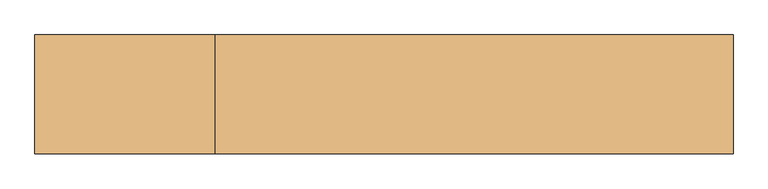
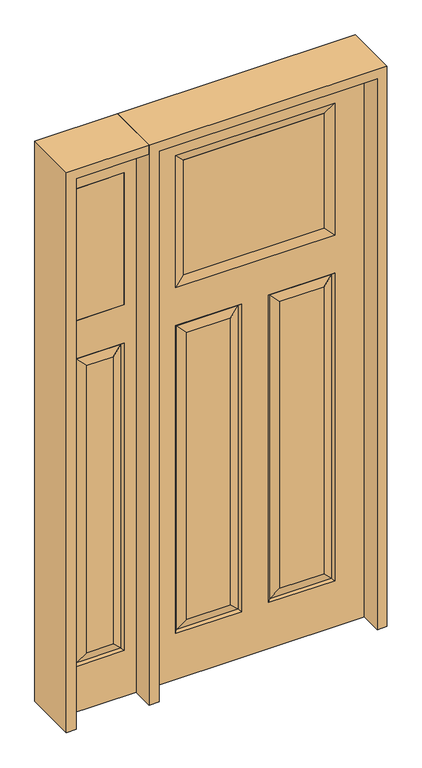
"""IFC4 building model written with IfcOpenShell, lengths in millimetres: door geometry."""

from ifc_helpers import new_model, si_unit, frame, origin, place, context, project, spatial, polyline, outline, extrude, faceted_brep, source, transform, mapped, element, save


def door_c06ac8cc(model_context):
    return source(origin(), model_context, "Body", "SolidModel", [
        faceted_brep([(-498.475, 20.6375, 0.0), (-498.475, -20.6375, 0.0), (-803.275, -20.6375, 0.0), (-803.275, 20.6375, 0.0), (-498.475, 20.6375, 2438.4), (-498.475, -20.6375, 2438.4), (-706.5645, -20.6375, 1519.2652812), (-706.5645, -20.6375, 249.1105), (-595.1855, -20.6375, 249.1105), (-595.1855, -20.6375, 1519.2652812), (-803.275, -20.6375, 2438.4), (-752.602, -20.6375, 203.073), (-752.602, -20.6375, 1565.3027812), (-549.148, -20.6375, 1565.3027812), (-549.148, -20.6375, 203.073), (-752.475, -20.6375, 2317.75), (-549.275, -20.6375, 2317.75), (-549.275, -20.6375, 1733.55), (-752.475, -20.6375, 1733.55), (-803.275, 20.6375, 2438.4), (-706.5645, 20.6375, 249.1105), (-706.5645, 20.6375, 1519.2652812), (-595.1855, 20.6375, 1519.2652812), (-595.1855, 20.6375, 249.1105), (-752.602, 20.6375, 1565.3027812), (-752.602, 20.6375, 203.073), (-549.148, 20.6375, 203.073), (-549.148, 20.6375, 1565.3027812), (-549.275, 20.6375, 2317.75), (-752.475, 20.6375, 2317.75), (-752.475, 20.6375, 1733.55), (-549.275, 20.6375, 1733.55), (-743.6217439, 11.6572439, 1556.3225251), (-743.6217439, 11.6572439, 212.0532561), (-558.1282561, 11.6572439, 212.0532561), (-558.1282561, 11.6572439, 1556.3225251), (-743.6217439, -11.6572439, 1556.3225251), (-743.6217439, -11.6572439, 212.0532561), (-558.1282561, -11.6572439, 212.0532561), (-558.1282561, -11.6572439, 1556.3225251)], [[[0, 1, 2, 3]], [[4, 5, 1, 0]], [[6, 7, 8, 9]], [[5, 10, 2, 1], [11, 12, 13, 14], [15, 16, 17, 18]], [[10, 19, 3, 2]], [[20, 21, 22, 23]], [[19, 4, 0, 3], [24, 25, 26, 27], [28, 29, 30, 31]], [[32, 33, 25, 24]], [[25, 33, 34, 26]], [[26, 34, 35, 27]], [[33, 32, 21, 20]], [[34, 23, 22, 35]], [[33, 20, 23, 34]], [[36, 37, 7, 6]], [[7, 37, 38, 8]], [[8, 38, 39, 9]], [[37, 36, 12, 11]], [[38, 14, 13, 39]], [[37, 11, 14, 38]], [[4, 19, 10, 5]], [[36, 6, 9, 39]], [[12, 36, 39, 13]], [[32, 24, 27, 35]], [[21, 32, 35, 22]], [[15, 29, 28, 16]], [[29, 15, 18, 30]], [[30, 18, 17, 31]], [[16, 28, 31, 17]]]),
        extrude(outline(polyline([(-549.275, -20.6375), (-752.475, -20.6375), (-752.475, 20.6375), (-549.275, 20.6375), (-549.275, -20.6375)])), frame((0.0, 0.0, 1733.55), z_axis=(0.0, 0.0, 1.0), x_axis=(1.0, 0.0, 0.0)), (0.0, 0.0, 1.0), 584.2),
        faceted_brep([(-457.2, -20.6375, 2438.4), (-457.2, 20.6375, 2438.4), (-457.2, 20.6375, 0.0), (-457.2, -20.6375, 0.0), (287.4645, 20.6375, 1519.2652812), (287.4645, 20.6375, 249.1105), (102.9612813, 20.6375, 249.1105), (102.9612813, 20.6375, 1519.2652812), (-287.4645, 20.6375, 249.1105), (-287.4645, 20.6375, 1519.2652812), (-102.9612813, 20.6375, 1519.2652812), (-102.9612813, 20.6375, 249.1105), (457.2, 20.6375, 2438.4), (457.2, 20.6375, 0.0), (333.502, 20.6375, 203.073), (333.502, 20.6375, 1565.3027812), (56.9237813, 20.6375, 1565.3027812), (56.9237813, 20.6375, 203.073), (-333.5734375, 20.6375, 1733.3515625), (333.5734375, 20.6375, 1733.3515625), (333.5734375, 20.6375, 2317.9484375), (-333.5734375, 20.6375, 2317.9484375), (-333.502, 20.6375, 1565.3027812), (-333.502, 20.6375, 203.073), (-56.9237813, 20.6375, 203.073), (-56.9237813, 20.6375, 1565.3027812), (-324.5217439, 11.6572439, 1556.3225251), (-324.5217439, 11.6572439, 212.0532561), (-65.9040374, 11.6572439, 212.0532561), (65.9040374, -11.6572439, 212.0532561), (102.9612813, -20.6375, 249.1105), (102.9612812, -20.6375, 1519.2652812), (65.9040374, -11.6572439, 1556.3225251), (-102.9612813, -20.6375, 249.1105), (-65.9040374, -11.6572439, 212.0532561), (-65.9040374, -11.6572439, 1556.3225251), (-102.9612813, -20.6375, 1519.2652812), (-324.5217439, -11.6572439, 212.0532561), (-333.502, -20.6375, 203.073), (-56.9237813, -20.6375, 203.073), (-333.5734375, -20.6375, 1733.3515625), (-296.5161936, -11.6572439, 1770.4088064), (-296.5161936, -11.6572439, 2280.9398438), (-333.5734375, -20.6375, 2317.9484375), (296.5161936, -11.6572439, 1770.4088064), (333.5734375, -20.6375, 1733.3515625), (333.5734375, -20.6375, 2317.9484375), (296.5161936, -11.6572439, 2280.8911936), (324.5217439, -11.6572439, 1556.3225251), (333.502, -20.6375, 1565.3027812), (56.9237813, -20.6375, 1565.3027812), (296.5161936, 11.6572439, 2280.9398438), (-296.5161936, 11.6690335, 2280.9398438), (457.2, -20.6375, 0.0), (457.2, -20.6375, 2438.4), (287.4645, -20.6375, 249.1105), (287.4645, -20.6375, 1519.2652812), (-287.4645, -20.6375, 1519.2652812), (-287.4645, -20.6375, 249.1105), (-333.502, -20.6375, 1565.3027812), (-56.9237813, -20.6375, 1565.3027812), (333.502, -20.6375, 203.073), (56.9237813, -20.6375, 203.073), (324.5217439, 11.6572439, 212.0532561), (65.9040374, 11.6572439, 212.0532561), (324.5217439, -11.6572439, 212.0532561), (-324.5217439, -11.6572439, 1556.3225251), (296.5161936, 11.6572439, 1770.4088064), (324.5217439, 11.6572439, 1556.3225251), (65.9040374, 11.6572439, 1556.3225251), (-65.9040374, 11.6572439, 1556.3225251), (-296.5161936, 11.6572439, 1770.4088064)], [[[0, 1, 2, 3]], [[4, 5, 6, 7]], [[8, 9, 10, 11]], [[1, 12, 13, 2], [14, 15, 16, 17], [18, 19, 20, 21], [22, 23, 24, 25]], [[26, 27, 23, 22]], [[27, 26, 9, 8]], [[27, 8, 11, 28]], [[29, 30, 31, 32]], [[33, 34, 35, 36]], [[37, 38, 39, 34]], [[40, 41, 42, 43]], [[44, 45, 46, 47]], [[48, 49, 50, 32]], [[51, 47, 42, 52]], [[45, 44, 41, 40]], [[13, 53, 3, 2]], [[12, 54, 53, 13]], [[55, 56, 31, 30]], [[57, 58, 33, 36]], [[54, 0, 3, 53], [38, 59, 60, 39], [45, 40, 43, 46], [49, 61, 62, 50]], [[12, 1, 0, 54]], [[63, 14, 17, 64]], [[65, 55, 30, 29]], [[62, 29, 32, 50]], [[37, 66, 59, 38]], [[19, 67, 51, 20]], [[14, 63, 68, 15]], [[64, 17, 16, 69]], [[68, 63, 5, 4]], [[5, 63, 64, 6]], [[6, 64, 69, 7]], [[23, 27, 28, 24]], [[24, 28, 70, 25]], [[28, 11, 10, 70]], [[55, 65, 48, 56]], [[48, 65, 61, 49]], [[61, 65, 29, 62]], [[66, 37, 58, 57]], [[58, 37, 34, 33]], [[34, 39, 60, 35]], [[20, 51, 52, 21]], [[71, 18, 21, 52]], [[47, 46, 43, 42]], [[56, 48, 32, 31]], [[15, 68, 69, 16]], [[68, 4, 7, 69]], [[52, 42, 41, 71]], [[71, 41, 44, 67]], [[47, 51, 67, 44]], [[67, 19, 18, 71]], [[66, 57, 36, 35]], [[59, 66, 35, 60]], [[26, 22, 25, 70]], [[9, 26, 70, 10]]]),
        extrude(outline(polyline([(296.5161936, -11.6572439), (-296.5161936, -11.6572439), (-296.5161936, 11.6572439), (296.5161936, 11.6572439), (296.5161936, -11.6572439)])), frame((0.0, 0.0, 1770.3601562), z_axis=(0.0, 0.0, 1.0), x_axis=(1.0, 0.0, 0.0)), (0.0, 0.0, 1.0), 510.5796875),
        extrude(outline(polyline([(2438.4, -498.475), (2479.675, -498.475), (2479.675, -844.55), (0.0, -844.55), (0.0, -803.275), (2438.4, -803.275), (2438.4, -498.475)])), frame((0.0, -114.3, 0.0), z_axis=(0.0, 1.0, 0.0), x_axis=(0.0, 0.0, 1.0)), (0.0, 0.0, 1.0), 228.6),
        extrude(outline(polyline([(2479.675, -498.475), (0.0, -498.475), (0.0, -457.2), (2438.4, -457.2), (2438.4, 457.2), (0.0, 457.2), (0.0, 498.475), (2479.675, 498.475), (2479.675, -498.475)])), frame((0.0, -114.3, 0.0), z_axis=(0.0, 1.0, 0.0), x_axis=(0.0, 0.0, 1.0)), (0.0, 0.0, 1.0), 228.6),
    ])


if __name__ == "__main__":
    model = new_model("IFC4")
    model_context = context("Model", 3, world=origin())
    ifc_project = project(units=[si_unit("LENGTHUNIT", "METRE", prefix="MILLI")], contexts=[model_context])
    site = spatial("IfcSite", under=ifc_project)
    building = spatial("IfcBuilding", under=site)
    placement = place(None, origin())
    door_shape = door_c06ac8cc(model_context)
    element("IfcDoor", 1, at=placement, inside=building, context=model_context, shape_type="MappedRepresentation", body=[
        mapped(door_shape, transform((0.0, 0.0, 0.0), x_axis=(1.0, 0.0, 0.0), y_axis=(0.0, 1.0, 0.0), z_axis=(0.0, 0.0, 1.0))),
    ])
    save(model, "model.ifc")
